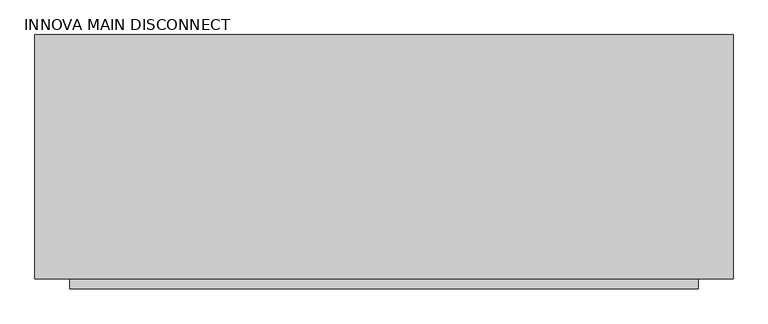
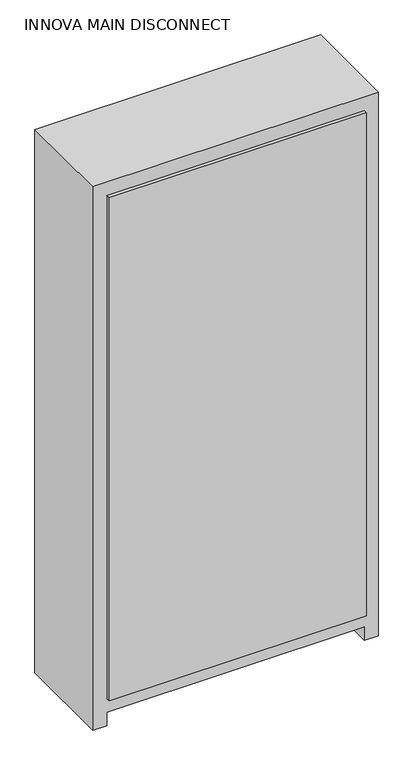
"""IFC4 building model written with IfcOpenShell, lengths in millimetres: proxy geometry, INNOVA MAIN DISCONNECT."""

from ifc_helpers import new_model, si_unit, frame, origin, place, context, project, spatial, polyline, outline, extrude, source, transform, mapped, element, save


def innova_main_disconnect_e837c0d3(model_context):
    return source(origin(), model_context, "Body", "SweptSolid", [
        extrude(outline(polyline([(457.2, -370.0106859), (-457.2, -370.0106859), (-457.2, -355.6), (457.2, -355.6), (457.2, -370.0106859)])), frame((0.0, 0.0, 101.6), z_axis=(0.0, 0.0, 1.0), x_axis=(1.0, 0.0, 0.0)), (0.0, 0.0, 1.0), 1892.3),
        extrude(outline(polyline([(0.0, 508.0), (2044.7, 508.0), (2044.7, -508.0), (0.0, -508.0), (0.0, -457.2), (50.8, -457.2), (50.8, 457.2), (0.0, 457.2), (0.0, 508.0)])), frame((0.0, -355.6, 0.0), z_axis=(0.0, 1.0, 0.0), x_axis=(0.0, 0.0, 1.0)), (0.0, 0.0, 1.0), 355.6),
    ])


if __name__ == "__main__":
    model = new_model("IFC4")
    model_context = context("Model", 3, world=origin())
    ifc_project = project(units=[si_unit("LENGTHUNIT", "METRE", prefix="MILLI")], contexts=[model_context])
    site = spatial("IfcSite", under=ifc_project)
    building = spatial("IfcBuilding", under=site)
    placement = place(None, origin())
    innova_main_disconnect_shape = innova_main_disconnect_e837c0d3(model_context)
    element("IfcBuildingElementProxy", 1, Name="INNOVA MAIN DISCONNECT", ObjectType="INNOVA MAIN DISCONNECT", at=placement, inside=building, context=model_context, shape_type="MappedRepresentation", body=[
        mapped(innova_main_disconnect_shape, transform((0.0, 0.0, 0.0), x_axis=(1.0, 0.0, 0.0), y_axis=(0.0, 1.0, 0.0), z_axis=(0.0, 0.0, 1.0))),
    ])
    save(model, "model.ifc")
